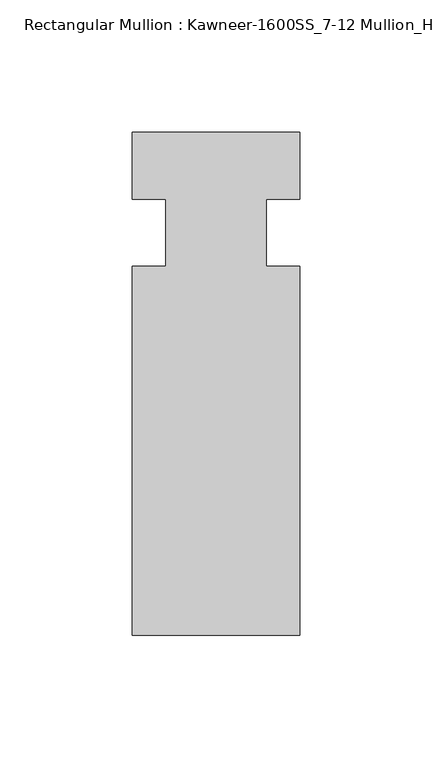
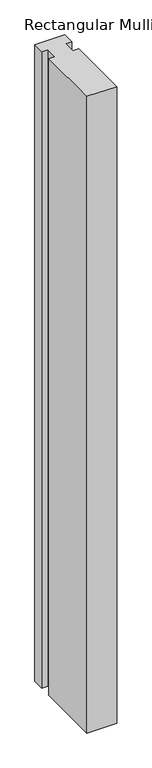
"""IFC4 building model written with IfcOpenShell, lengths in millimetres: member geometry, Rectangular Mullion : Kawneer-1600SS_7-12 Mullion_Horizontal."""

from ifc_helpers import new_model, si_unit, frame, origin, place, context, project, spatial, polyline, outline, extrude, source, transform, mapped, element, save


def rectangular_mullion_kawneer_1600ss_7_12_mullion_horizontal_f661c636(model_context):
    return source(origin(), model_context, "Body", "SweptSolid", [
        extrude(outline(polyline([(36.0844027, -152.4), (-27.4155973, -152.4), (-27.4155973, -12.7), (-14.7155973, -12.7), (-14.7155973, 12.7), (-27.4155973, 12.7), (-27.4155973, 38.1), (36.0844027, 38.1), (36.0844027, 12.7), (23.3826322, 12.7), (23.3826322, -12.7), (36.0844027, -12.7), (36.0844027, -152.4)])), frame((0.0, 0.0, -1424.4155973), z_axis=(0.0, 0.0, 1.0), x_axis=(1.0, 0.0, 0.0)), (0.0, 0.0, 1.0), 1424.4155973),
    ])


if __name__ == "__main__":
    model = new_model("IFC4")
    model_context = context("Model", 3, world=origin())
    ifc_project = project(units=[si_unit("LENGTHUNIT", "METRE", prefix="MILLI")], contexts=[model_context])
    site = spatial("IfcSite", under=ifc_project)
    building = spatial("IfcBuilding", under=site)
    placement = place(None, origin())
    rectangular_mullion_kawneer_1600ss_7_12_mullion_horizontal_shape = rectangular_mullion_kawneer_1600ss_7_12_mullion_horizontal_f661c636(model_context)
    element("IfcMember", 1, ObjectType="Rectangular Mullion : Kawneer-1600SS_7-12 Mullion_Horizontal", at=placement, inside=building, context=model_context, shape_type="MappedRepresentation", body=[
        mapped(rectangular_mullion_kawneer_1600ss_7_12_mullion_horizontal_shape, transform((0.0, 0.0, 0.0), x_axis=(1.0, 0.0, 0.0), y_axis=(0.0, 1.0, 0.0), z_axis=(0.0, 0.0, 1.0))),
    ])
    save(model, "model.ifc")
